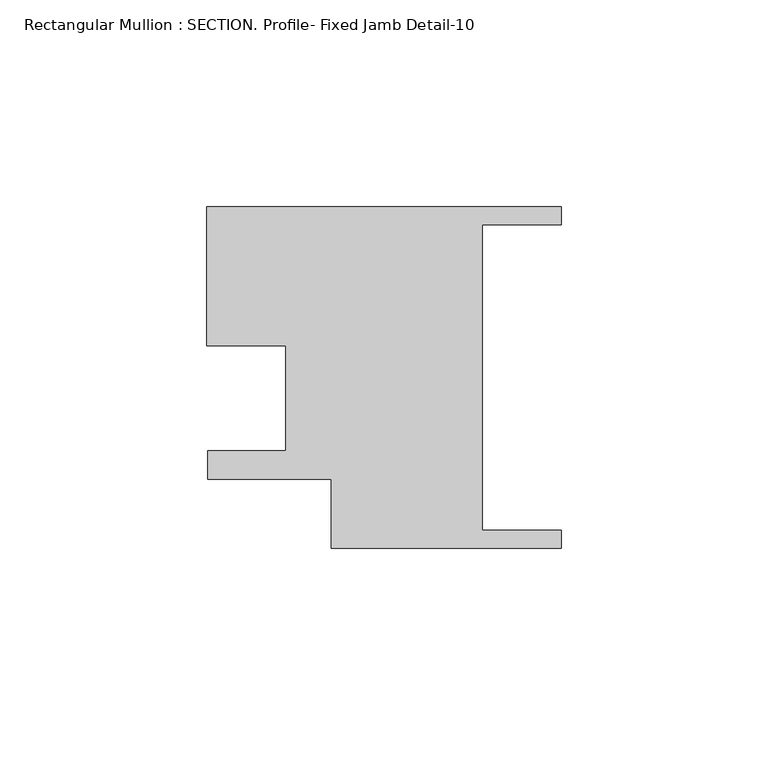
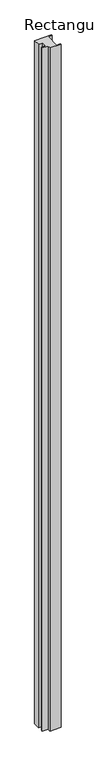
"""IFC4 building model written with IfcOpenShell, lengths in millimetres: member geometry, Rectangular Mullion : SECTION. Profile- Fixed Jamb Detail-10."""

from ifc_helpers import new_model, si_unit, frame, origin, place, context, project, spatial, polyline, outline, extrude, source, transform, mapped, element, save


def rectangular_mullion_section_profile_fixed_jamb_detail_10_f104185b(model_context):
    return source(origin(), model_context, "Body", "SweptSolid", [
        extrude(outline(polyline([(-85.7250602, 34.9113597), (0.0, 34.9113597), (0.0, 30.593354), (-19.0500254, 30.593354), (-19.0500254, -43.3206632), (0.0, -43.3206632), (0.0, -47.638669), (-55.565659, -47.638669), (-55.565659, -31.0035848), (-85.4980191, -31.0035848), (-85.4980191, -24.0947756), (-66.6781739, -24.0947756), (-66.6781739, 1.3052029), (-85.7250602, 1.3052029), (-85.7250602, 34.9113597)])), frame((0.0, 0.0, -3657.6), z_axis=(0.0, 0.0, 1.0), x_axis=(1.0, 0.0, 0.0)), (0.0, 0.0, 1.0), 3657.6),
    ])


if __name__ == "__main__":
    model = new_model("IFC4")
    model_context = context("Model", 3, world=origin())
    ifc_project = project(units=[si_unit("LENGTHUNIT", "METRE", prefix="MILLI")], contexts=[model_context])
    site = spatial("IfcSite", under=ifc_project)
    building = spatial("IfcBuilding", under=site)
    placement = place(None, origin())
    rectangular_mullion_section_profile_fixed_jamb_detail_10_shape = rectangular_mullion_section_profile_fixed_jamb_detail_10_f104185b(model_context)
    element("IfcMember", 1, ObjectType="Rectangular Mullion : SECTION. Profile- Fixed Jamb Detail-10", at=placement, inside=building, context=model_context, shape_type="MappedRepresentation", body=[
        mapped(rectangular_mullion_section_profile_fixed_jamb_detail_10_shape, transform((0.0, 0.0, 0.0), x_axis=(1.0, 0.0, 0.0), y_axis=(0.0, 1.0, 0.0), z_axis=(0.0, 0.0, 1.0))),
    ])
    save(model, "model.ifc")
